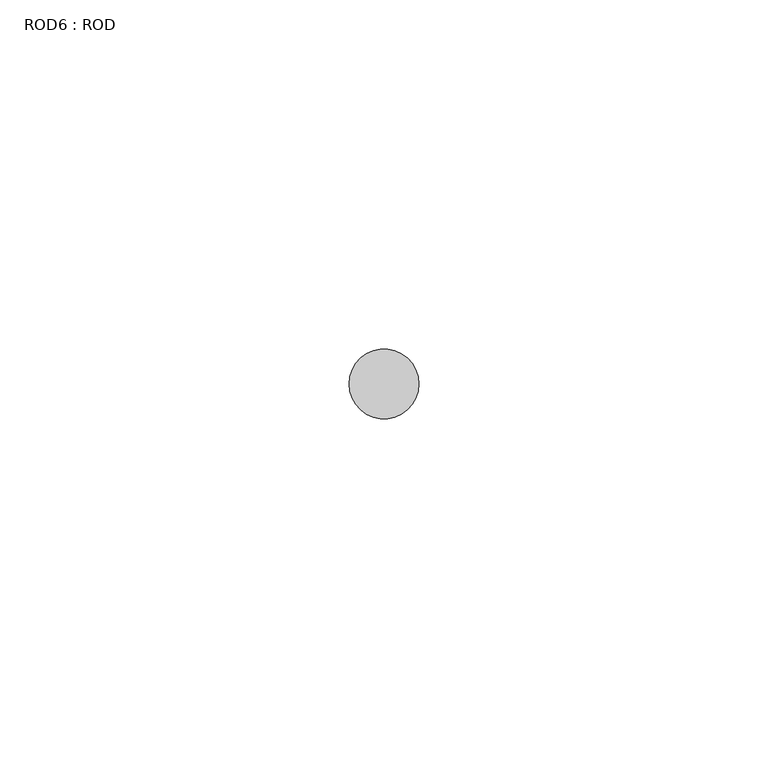
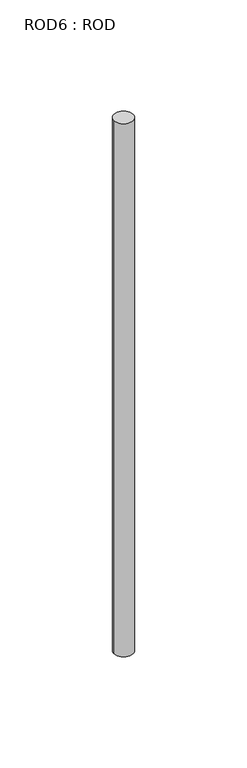
"""IFC4 building model written with IfcOpenShell, lengths in millimetres: proxy geometry, ROD6 : ROD."""

import ifcopenshell
import ifcopenshell.guid

model = None  # the IFC model being written
_history = None  # IfcOwnerHistory: only IFC2X3 demands one
_inside = {}  # id of a spatial element -> (the spatial element, [elements in it])
_under = {}  # id of a project, library or spatial element -> (it, [spatial elements below it])
_declared = {}  # id of a project -> (the project, [libraries it declares])
_typed = {}  # id of a type object -> (the type object, [elements of that type])
_made_of = {}  # id of a material, layer set ... -> (it, [elements and type objects made of it])


def new_model(schema):
    """Start an empty IFC model of exactly this schema.

    Asked for "IFC4X3", IfcOpenShell would pick the latest addendum, in which some entities
    have other attributes; the version numbers below select the first issue.
    IFC2X3 requires an IfcOwnerHistory on every rooted entity: one is made here for all.
    """
    global model, _history
    if schema == "IFC4X3":
        model = ifcopenshell.file(schema_version=(4, 3, 0, 0))
    else:
        model = ifcopenshell.file(schema=schema)
    _inside.clear()
    _under.clear()
    _declared.clear()
    _typed.clear()
    _made_of.clear()
    _history = None
    if model.schema == "IFC2X3":
        org = make("IfcOrganization", Name="unknown")
        user = make(
            "IfcPersonAndOrganization",
            ThePerson=make("IfcPerson", FamilyName="unknown"),
            TheOrganization=org,
        )
        app = make(
            "IfcApplication",
            ApplicationDeveloper=org,
            Version="unknown",
            ApplicationFullName="unknown",
            ApplicationIdentifier="unknown",
        )
        _history = make(
            "IfcOwnerHistory",
            OwningUser=user,
            OwningApplication=app,
            ChangeAction="ADDED",
            CreationDate=0,
        )
    return model


def make(cls, **values):
    """One entity of the class cls with the attributes given. An attribute that is None is left unset."""
    return model.create_entity(
        cls, **{name: value for name, value in values.items() if value is not None}
    )


def rooted(cls, **values):
    """An entity with a GlobalId (a new one), such as an element, a storey or a relation."""
    return make(cls, GlobalId=ifcopenshell.guid.new(), OwnerHistory=_history, **values)


def si_unit(unit_type, name, prefix=None):
    """IfcSIUnit, for example si_unit("LENGTHUNIT", "METRE", prefix="MILLI")."""
    return make("IfcSIUnit", UnitType=unit_type, Prefix=prefix, Name=name)


def assignment(units):
    """IfcUnitAssignment: the units of a project."""
    return None if units is None else make("IfcUnitAssignment", Units=units)


def point(xyz):
    """IfcCartesianPoint."""
    return None if xyz is None else make("IfcCartesianPoint", Coordinates=xyz)


def direction(xyz):
    """IfcDirection."""
    return None if xyz is None else make("IfcDirection", DirectionRatios=xyz)


def frame(location, z_axis=None, x_axis=None):
    """IfcAxis2Placement3D, a coordinate frame: its origin and axes. An axis left out is left unset."""
    return make(
        "IfcAxis2Placement3D",
        Location=point(location),
        Axis=direction(z_axis),
        RefDirection=direction(x_axis),
    )


def frame_2d(location, x_axis=None):
    """IfcAxis2Placement2D, a coordinate frame in the plane: its origin and x axis."""
    return make(
        "IfcAxis2Placement2D", Location=point(location), RefDirection=direction(x_axis)
    )


def origin():
    """The frame at (0, 0, 0) with its axes left unset."""
    return frame((0.0, 0.0, 0.0))


def place(relative_to, where):
    """IfcLocalPlacement: puts the frame where relative to a parent placement (None: the world)."""
    return make(
        "IfcLocalPlacement", PlacementRelTo=relative_to, RelativePlacement=where
    )


def context(
    kind, dimensions, precision=None, world=None, true_north=None, identifier=None
):
    """IfcGeometricRepresentationContext, for example the 3D "Model" context."""
    return make(
        "IfcGeometricRepresentationContext",
        ContextIdentifier=identifier,
        ContextType=kind,
        CoordinateSpaceDimension=dimensions,
        Precision=precision,
        WorldCoordinateSystem=world,
        TrueNorth=true_north,
    )


def project(units=None, contexts=None):
    """IfcProject with its units and contexts."""
    return rooted(
        "IfcProject",
        Name="project",
        RepresentationContexts=contexts,
        UnitsInContext=assignment(units),
    )


def spatial(cls, under=None, at=None, **own):
    """A site, building, storey or space (cls), placed at a placement, below another one or the project."""
    s = rooted(cls, ObjectPlacement=at, **own)
    if under is not None:
        _under.setdefault(under.id(), (under, []))[1].append(s)
    return s


def circle_curve(where, radius):
    """IfcCircle in the frame where."""
    return make("IfcCircle", Position=where, Radius=radius)


def trimmed(basis, trim1, trim2, sense, master):
    """IfcTrimmedCurve: the piece of a basis curve between two trims."""
    return make(
        "IfcTrimmedCurve",
        BasisCurve=basis,
        Trim1=trim1,
        Trim2=trim2,
        SenseAgreement=sense,
        MasterRepresentation=master,
    )


def segment(curve, same_sense, transition):
    """IfcCompositeCurveSegment."""
    return make(
        "IfcCompositeCurveSegment",
        Transition=transition,
        SameSense=same_sense,
        ParentCurve=curve,
    )


def composite_curve(segments, self_intersect=None):
    """IfcCompositeCurve: segments joined end to end."""
    return make("IfcCompositeCurve", Segments=segments, SelfIntersect=self_intersect)


def outline(outer, holes=None, kind="AREA"):
    """IfcArbitraryClosedProfileDef: a profile drawn as a closed curve; with holes, ...WithVoids."""
    if holes is None:
        return make("IfcArbitraryClosedProfileDef", ProfileType=kind, OuterCurve=outer)
    return make(
        "IfcArbitraryProfileDefWithVoids",
        ProfileType=kind,
        OuterCurve=outer,
        InnerCurves=holes,
    )


def extrude(swept, where, along, depth):
    """IfcExtrudedAreaSolid: the profile swept, set in the frame where, extruded along a direction by depth."""
    return make(
        "IfcExtrudedAreaSolid",
        SweptArea=swept,
        Position=where,
        ExtrudedDirection=direction(along),
        Depth=depth,
    )


def shape(context_of_items, identifier, shape_type, items):
    """IfcShapeRepresentation: the items that make up one representation, for example the "Body"."""
    return make(
        "IfcShapeRepresentation",
        ContextOfItems=context_of_items,
        RepresentationIdentifier=identifier,
        RepresentationType=shape_type,
        Items=items,
    )


def source(mapping_origin, context_of_items, identifier, shape_type, items):
    """IfcRepresentationMap: a shape defined once, which mapped items show again and again."""
    return make(
        "IfcRepresentationMap",
        MappingOrigin=mapping_origin,
        MappedRepresentation=shape(context_of_items, identifier, shape_type, items),
    )


def transform(
    local_origin,
    x_axis=None,
    y_axis=None,
    z_axis=None,
    scale=None,
    scale2=None,
    scale3=None,
    uniform=True,
):
    """IfcCartesianTransformationOperator3D, or its non-uniform kind. x_axis, y_axis, z_axis: its Axis1, 2, 3."""
    if uniform:
        return make(
            "IfcCartesianTransformationOperator3D",
            Axis1=direction(x_axis),
            Axis2=direction(y_axis),
            LocalOrigin=point(local_origin),
            Scale=scale,
            Axis3=direction(z_axis),
        )
    return make(
        "IfcCartesianTransformationOperator3DnonUniform",
        Axis1=direction(x_axis),
        Axis2=direction(y_axis),
        LocalOrigin=point(local_origin),
        Scale=scale,
        Axis3=direction(z_axis),
        Scale2=scale2,
        Scale3=scale3,
    )


def mapped(mapping_source, mapping_target):
    """IfcMappedItem: shows the shape of a source again, moved by a transform."""
    return make(
        "IfcMappedItem", MappingSource=mapping_source, MappingTarget=mapping_target
    )


def made_of(thing, what):
    """Note that an element or type object is made of a material, layer set ...; save() writes the relation."""
    if what is not None:
        _made_of.setdefault(what.id(), (what, []))[1].append(thing)
    return thing


def element(
    cls,
    number,
    at=None,
    inside=None,
    cuts=None,
    type_object=None,
    material=None,
    context=None,
    identifier="Body",
    shape_type=None,
    held_by="IfcProductDefinitionShape",
    body=None,
    shapes=None,
    **own,
):
    """One element of the class cls, such as IfcWall. Its Tag is "e" and its number.

    at: its placement. inside: the storey or other place that contains it. cuts: it is an
    opening in that element (IfcRelVoidsElement). A single representation is given by context,
    identifier, shape_type and body (its items); several are given by shapes. held_by: the class
    of the entity that holds the representations. save() writes the other relations.
    """
    e = rooted(cls, Tag="e%d" % number, ObjectPlacement=at, **own)
    if body is not None:
        shapes = [shape(context, identifier, shape_type, body)]
    if shapes is not None:
        e.Representation = make(held_by, Representations=shapes)
    if inside is not None:
        _inside.setdefault(inside.id(), (inside, []))[1].append(e)
    if cuts is not None:
        rooted(
            "IfcRelVoidsElement", RelatingBuildingElement=cuts, RelatedOpeningElement=e
        )
    if type_object is not None:
        _typed.setdefault(type_object.id(), (type_object, []))[1].append(e)
    return made_of(e, material)


def aggregate(whole, parts):
    """IfcRelAggregates: a whole, such as a stair, and the parts it consists of."""
    return rooted("IfcRelAggregates", RelatingObject=whole, RelatedObjects=parts)


def save(model, path):
    """Write the relations noted so far, then the file.

    IfcRelAggregates (storeys below a building ...), IfcRelContainedInSpatialStructure (elements
    in a storey), IfcRelDefinesByType, IfcRelAssociatesMaterial and IfcRelDeclares: one each for
    every whole, place, type object, material and project.
    """
    for whole, parts in _under.values():
        aggregate(whole, parts)
    for where, things in _inside.values():
        rooted(
            "IfcRelContainedInSpatialStructure",
            RelatedElements=things,
            RelatingStructure=where,
        )
    for kind, things in _typed.values():
        rooted("IfcRelDefinesByType", RelatedObjects=things, RelatingType=kind)
    for what, things in _made_of.values():
        rooted("IfcRelAssociatesMaterial", RelatedObjects=things, RelatingMaterial=what)
    for by, libraries in _declared.values():
        rooted("IfcRelDeclares", RelatingContext=by, RelatedDefinitions=libraries)
    model.write(path)


def rod6_rod_36a6dd83(model_context):
    return source(origin(), model_context, "Body", "SweptSolid", [
        extrude(outline(composite_curve([segment(trimmed(circle_curve(frame_2d((-3200.2326676, 833.3971576)), 5.0), [point((-3205.2326676, 833.3971576))], [point((-3195.2326676, 833.3971576))], False, "CARTESIAN"), True, "CONTINUOUS"), segment(trimmed(circle_curve(frame_2d((-3200.2326676, 833.3971576)), 5.0), [point((-3195.2326676, 833.3971576))], [point((-3205.2326676, 833.3971576))], False, "CARTESIAN"), True, "CONTINUOUS")], self_intersect=False)), frame((0.0, 0.0, -108.6608845), z_axis=(0.0, 0.0, 1.0), x_axis=(1.0, 0.0, 0.0)), (0.0, 0.0, 1.0), 298.9028972),
    ])


if __name__ == "__main__":
    model = new_model("IFC4")
    model_context = context("Model", 3, world=origin())
    ifc_project = project(units=[si_unit("LENGTHUNIT", "METRE", prefix="MILLI")], contexts=[model_context])
    site = spatial("IfcSite", under=ifc_project)
    building = spatial("IfcBuilding", under=site)
    placement = place(None, origin())
    rod6_rod_shape = rod6_rod_36a6dd83(model_context)
    element("IfcBuildingElementProxy", 1, Name="ROD6 : ROD", ObjectType="ROD6 : ROD", at=placement, inside=building, context=model_context, shape_type="MappedRepresentation", body=[
        mapped(rod6_rod_shape, transform((0.0, 0.0, 0.0), x_axis=(1.0, 0.0, 0.0), y_axis=(0.0, 1.0, 0.0), z_axis=(0.0, 0.0, 1.0))),
    ])
    save(model, "model.ifc")
